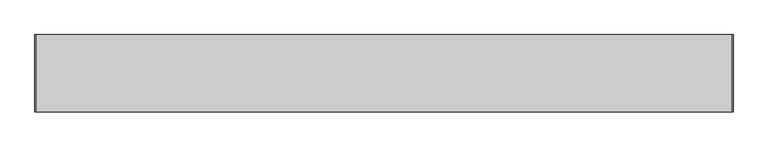
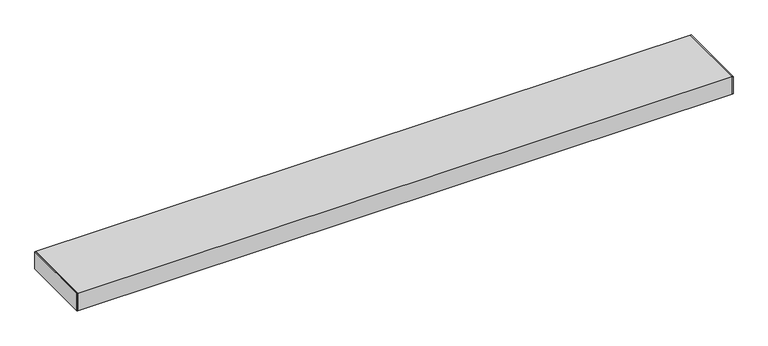
"""IFC4 building model written with IfcOpenShell, lengths in millimetres: proxy geometry."""

from ifc_helpers import new_model, si_unit, frame, origin, origin_with_axes, place, context, project, spatial, polyline, outline, extrude, source, transform, mapped, element, save


def generic_models_36b6278d(model_context):
    return source(origin(), model_context, "Body", "SweptSolid", [
        extrude(outline(polyline([(0.0, -101.6), (0.0, 101.6), (1.651, 101.6), (1.651, -101.6), (0.0, -101.6)])), origin_with_axes(), (0.0, 0.0, 1.0), 50.8),
        extrude(outline(polyline([(1828.8, -101.6), (1827.149, -101.6), (1827.149, 101.6), (1828.8, 101.6), (1828.8, -101.6)])), origin_with_axes(), (0.0, 0.0, 1.0), 50.8),
        extrude(outline(polyline([(-101.6, 0.0), (-101.6, 50.8), (101.6, 50.8), (101.6, 0.0), (-101.6, 0.0)]), holes=[polyline([(99.2, 3.134), (99.2, 47.666), (-99.2, 47.666), (-99.2, 3.134), (99.2, 3.134)])]), frame((1.651, 0.0, 0.0), z_axis=(1.0, 0.0, 0.0), x_axis=(0.0, 1.0, 0.0)), (0.0, 0.0, 1.0), 1825.498),
    ])


if __name__ == "__main__":
    model = new_model("IFC4")
    model_context = context("Model", 3, world=origin())
    ifc_project = project(units=[si_unit("LENGTHUNIT", "METRE", prefix="MILLI")], contexts=[model_context])
    site = spatial("IfcSite", under=ifc_project)
    building = spatial("IfcBuilding", under=site)
    placement = place(None, origin())
    generic_models_shape = generic_models_36b6278d(model_context)
    element("IfcBuildingElementProxy", 1, Name="Generic Models", at=placement, inside=building, context=model_context, shape_type="MappedRepresentation", body=[
        mapped(generic_models_shape, transform((0.0, 0.0, 0.0), x_axis=(1.0, 0.0, 0.0), y_axis=(0.0, 1.0, 0.0), z_axis=(0.0, 0.0, 1.0))),
    ])
    save(model, "model.ifc")
